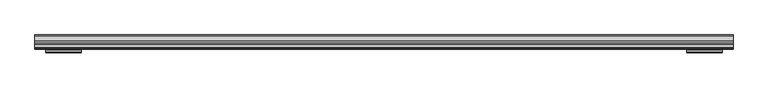
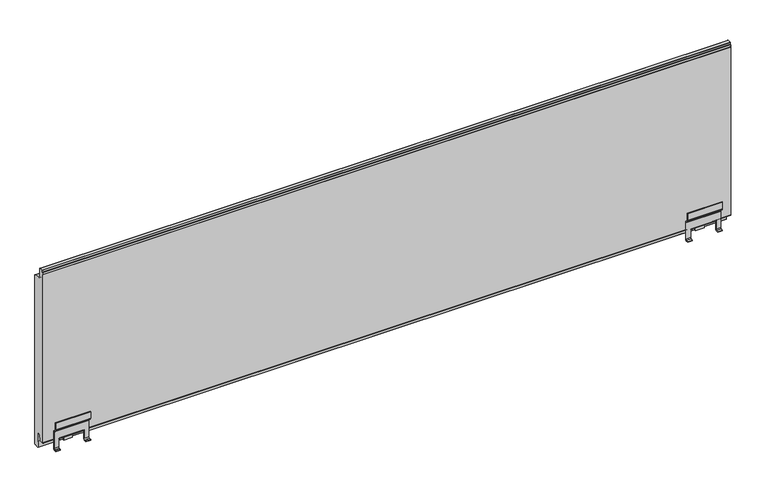
"""IFC4 building model written with IfcOpenShell, lengths in millimetres: plate geometry."""

from ifc_helpers import new_model, si_unit, point, frame, frame_2d, origin, place, context, project, spatial, polyline, circle_curve, trimmed, segment, composite_curve, outline, extrude, source, transform, mapped, element, save
from ifc_brep_helpers import plane_surface, cylinder_surface, revolved_surface, advanced_brep


def plate_f8bea97b(model_context):
    return source(origin(), model_context, "Body", "SolidModel", [
        advanced_brep(
        [(719.0, 133.5, 63.0766942), (719.0, 132.0, 63.0766942), (719.0, 132.0, 48.0751213), (719.0, 133.0251263, 45.6002476), (719.0, 137.9142136, 40.7111603), (719.0, 138.5, 39.2969467), (719.0, 138.5, 1.7954343), (719.0, 136.5, -0.2045657), (719.0, 132.0000052, -0.2045657), (719.0, 132.0000052, -1.7045657), (719.0, 136.5, -1.7045657), (719.0, 140.0, 1.7954343), (719.0, 140.0, 39.2969467), (719.0, 138.9748737, 41.7718205), (719.0, 134.0857864, 46.6609078), (719.0, 133.5, 48.0751213), (643.9999948, 133.5, 63.0766942), (643.9999948, 133.5, 48.0751213), (643.9999948, 134.0857864, 46.6609078), (643.9999948, 138.9748737, 41.7718205), (643.9999948, 140.0, 39.2969467), (643.9999948, 140.0, 1.7954343), (643.9999948, 136.5, -1.7045657), (643.9999948, 132.0000052, -1.7045657), (643.9999948, 132.0000052, -0.2045657), (643.9999948, 136.5, -0.2045657), (643.9999948, 138.5, 1.7954343), (643.9999948, 138.5, 39.2969467), (643.9999948, 137.9142136, 40.7111603), (643.9999948, 133.0251263, 45.6002476), (643.9999948, 132.0, 48.0751213), (643.9999948, 132.0, 63.0766942), (653.9999948, 138.5, 1.7954343), (653.9999948, 138.5, 21.4949549), (655.4999948, 138.5, 21.4949549), (707.4999948, 138.5, 21.5), (708.9999948, 138.5, 21.4949549), (708.9999948, 138.5, 1.7954343), (708.9999948, 136.5, -0.2045657), (653.9999948, 136.5, -0.2045657), (708.9999948, 132.0000052, -0.2045657), (653.9999948, 132.0000052, -0.2045657), (708.9999948, 132.0000052, -1.7045657), (653.9999948, 132.0000052, -1.7045657), (708.9999948, 136.5, -1.7045657), (653.9999948, 136.5, -1.7045657), (708.9999948, 140.0, 1.7954343), (653.9999948, 140.0, 1.7954343), (708.9999948, 140.0, 21.4949549), (707.4999948, 140.0, 21.4949549), (655.4999948, 140.0, 21.5), (653.9999948, 140.0, 21.4949549), (707.4999948, 142.0, 19.5), (707.4999948, 139.9736841, 18.6462229), (707.4999948, 141.9999999, 18.0), (707.4999948, 150.5069508, 18.0), (707.4999948, 152.2536916, 18.4670317), (707.4999948, 153.9952504, 21.1949549), (707.4999948, 155.2506896, 31.8238549), (707.4999948, 153.7617614, 32.0), (707.4999948, 152.4938373, 21.2653996), (707.4999948, 150.5076443, 19.5), (655.4999948, 142.0, 19.5), (655.4999948, 150.5076443, 19.5), (655.4999948, 152.4938373, 21.2653996), (655.4999948, 153.7617614, 32.0), (655.4999948, 155.2506896, 31.8238549), (655.4999948, 153.9952504, 21.1949549), (655.4999948, 152.2536916, 18.4670317), (655.4999948, 150.5069508, 18.0), (655.4999948, 147.9501547, 18.0), (655.4999948, 141.9999999, 18.0), (655.4999948, 140.0, 18.6277187), (671.9999948, 150.5069508, 18.0), (690.9999948, 150.5069508, 18.0), (671.9999948, 152.2536916, 18.4670317), (690.9999948, 152.2536916, 18.4670317), (690.9999948, 151.2000052, 3.0), (671.9999948, 151.2000052, 3.0), (690.9999948, 152.6965553, 2.8983251), (671.9999948, 152.6965553, 2.8983251), (690.9999948, 153.9952504, 21.1949549), (671.9999948, 153.9952504, 21.1949549), (671.9999948, 155.2506896, 31.8238549), (690.9999948, 155.2506896, 31.8238549)],
        [
            (0, 1),
            (1, 2),
            (2, 3, circle_curve(frame((719.0, 135.5, 48.0751213), z_axis=(1.0, 0.0, 0.0), x_axis=(0.0, 1.0, 0.0)), 3.5)),
            (3, 4),
            (4, 5, circle_curve(frame((719.0, 136.5, 39.2969467), z_axis=(-1.0, 0.0, 0.0), x_axis=(0.0, 1.0, 0.0)), 2.0)),
            (5, 6),
            (6, 7, circle_curve(frame((719.0, 136.5, 1.7954343), z_axis=(-1.0, 0.0, 0.0), x_axis=(0.0, 1.0, 0.0)), 2.0)),
            (7, 8),
            (8, 9),
            (9, 10),
            (10, 11, circle_curve(frame((719.0, 136.5, 1.7954343), z_axis=(1.0, 0.0, 0.0), x_axis=(0.0, 1.0, 0.0)), 3.5)),
            (11, 12),
            (12, 13, circle_curve(frame((719.0, 136.5, 39.2969467), z_axis=(1.0, 0.0, 0.0), x_axis=(0.0, 1.0, 0.0)), 3.5)),
            (13, 14),
            (14, 15, circle_curve(frame((719.0, 135.5, 48.0751213), z_axis=(-1.0, 0.0, 0.0), x_axis=(0.0, 1.0, 0.0)), 2.0)),
            (15, 0),
            (16, 17),
            (17, 18, circle_curve(frame((643.9999948, 135.5, 48.0751213), z_axis=(1.0, 0.0, 0.0), x_axis=(0.0, 1.0, 0.0)), 2.0)),
            (18, 19),
            (19, 20, circle_curve(frame((643.9999948, 136.5, 39.2969467), z_axis=(-1.0, 0.0, 0.0), x_axis=(0.0, 1.0, 0.0)), 3.5)),
            (20, 21),
            (21, 22, circle_curve(frame((643.9999948, 136.5, 1.7954343), z_axis=(-1.0, 0.0, 0.0), x_axis=(0.0, 1.0, 0.0)), 3.5)),
            (22, 23),
            (23, 24),
            (24, 25),
            (25, 26, circle_curve(frame((643.9999948, 136.5, 1.7954343), z_axis=(1.0, 0.0, 0.0), x_axis=(0.0, 1.0, 0.0)), 2.0)),
            (26, 27),
            (27, 28, circle_curve(frame((643.9999948, 136.5, 39.2969467), z_axis=(1.0, 0.0, 0.0), x_axis=(0.0, 1.0, 0.0)), 2.0)),
            (28, 29),
            (29, 30, circle_curve(frame((643.9999948, 135.5, 48.0751213), z_axis=(-1.0, 0.0, 0.0), x_axis=(0.0, 1.0, 0.0)), 3.5)),
            (30, 31),
            (31, 16),
            (0, 16),
            (31, 1),
            (30, 2),
            (29, 3),
            (28, 4),
            (27, 5),
            (26, 32),
            (32, 33),
            (33, 34),
            (34, 35),
            (35, 36),
            (36, 37),
            (37, 6),
            (37, 38, circle_curve(frame((708.9999948, 136.5, 1.7954343), z_axis=(-1.0, 0.0, 0.0), x_axis=(0.0, 1.0, 0.0)), 2.0)),
            (38, 7),
            (25, 39),
            (39, 32, circle_curve(frame((653.9999948, 136.5, 1.7954343), z_axis=(1.0, 0.0, 0.0), x_axis=(0.0, 1.0, 0.0)), 2.0)),
            (38, 40),
            (40, 8),
            (24, 41),
            (41, 39),
            (40, 42),
            (42, 9),
            (23, 43),
            (43, 41),
            (42, 44),
            (44, 10),
            (22, 45),
            (45, 43),
            (44, 46, circle_curve(frame((708.9999948, 136.5, 1.7954343), z_axis=(1.0, 0.0, 0.0), x_axis=(0.0, 1.0, 0.0)), 3.5)),
            (46, 11),
            (21, 47),
            (47, 45, circle_curve(frame((653.9999948, 136.5, 1.7954343), z_axis=(-1.0, 0.0, 0.0), x_axis=(0.0, 1.0, 0.0)), 3.5)),
            (46, 48),
            (48, 49),
            (49, 50),
            (50, 51),
            (51, 47),
            (20, 12),
            (19, 13),
            (18, 14),
            (17, 15),
            (36, 48),
            (51, 33),
            (35, 49),
            (50, 34),
            (52, 49, circle_curve(frame((707.4999948, 142.0, 21.5), z_axis=(-1.0, 0.0, 0.0), x_axis=(0.0, 1.0, 0.0)), 2.0)),
            (35, 53, circle_curve(frame((707.4999948, 142.0, 21.5), z_axis=(1.0, 0.0, 0.0), x_axis=(0.0, 1.0, 0.0)), 3.5)),
            (53, 54, circle_curve(frame((707.4999948, 141.9999999, 21.5), z_axis=(1.0, 0.0, 0.0), x_axis=(0.0, 1.0, 0.0)), 3.5)),
            (54, 55),
            (55, 56, circle_curve(frame((707.4999948, 150.5069508, 21.5), z_axis=(1.0, 0.0, 0.0), x_axis=(0.0, 1.0, 0.0)), 3.5)),
            (56, 57, circle_curve(frame((707.4999948, 150.502195, 21.5051049), z_axis=(1.0, 0.0, 0.0), x_axis=(0.0, 1.0, 0.0)), 3.5067975)),
            (57, 58),
            (58, 59),
            (59, 60),
            (60, 61, circle_curve(frame((707.4999948, 150.5076443, 21.5), z_axis=(-1.0, 0.0, 0.0), x_axis=(0.0, 1.0, 0.0)), 2.0)),
            (61, 52),
            (62, 63),
            (63, 64, circle_curve(frame((655.4999948, 150.5076443, 21.5), z_axis=(1.0, 0.0, 0.0), x_axis=(0.0, 1.0, 0.0)), 2.0)),
            (64, 65),
            (65, 66),
            (66, 67),
            (67, 68, circle_curve(frame((655.4999948, 150.502195, 21.5051049), z_axis=(-1.0, 0.0, 0.0), x_axis=(0.0, 1.0, 0.0)), 3.5067975)),
            (68, 69, circle_curve(frame((655.4999948, 150.5069508, 21.5), z_axis=(-1.0, 0.0, 0.0), x_axis=(0.0, 1.0, 0.0)), 3.5)),
            (69, 70),
            (70, 71),
            (71, 72, circle_curve(frame((655.4999948, 141.9999999, 21.5), z_axis=(-1.0, 0.0, 0.0), x_axis=(0.0, 1.0, 0.0)), 3.5)),
            (72, 34, circle_curve(frame((655.4999948, 142.0, 21.5), z_axis=(-1.0, 0.0, 0.0), x_axis=(0.0, 1.0, 0.0)), 3.5)),
            (50, 62, circle_curve(frame((655.4999948, 142.0, 21.5), z_axis=(1.0, 0.0, 0.0), x_axis=(0.0, 1.0, 0.0)), 2.0)),
            (52, 62),
            (72, 53),
            (71, 54),
            (69, 73),
            (73, 74),
            (74, 55),
            (68, 75),
            (75, 76),
            (76, 56),
            (77, 76),
            (75, 78),
            (78, 77),
            (79, 77),
            (78, 80),
            (80, 79),
            (81, 79),
            (80, 82),
            (82, 81),
            (57, 81),
            (82, 67),
            (66, 83),
            (83, 84),
            (84, 58),
            (65, 59),
            (64, 60),
            (63, 61),
            (81, 76, circle_curve(frame((690.9999948, 150.502195, 21.5051049), z_axis=(-1.0, 0.0, 0.0), x_axis=(0.0, 1.0, 0.0)), 3.5067975)),
            (75, 82, circle_curve(frame((671.9999948, 150.502195, 21.5051049), z_axis=(1.0, 0.0, 0.0), x_axis=(0.0, 1.0, 0.0)), 3.5067975)),
        ],
        [
            plane_surface(frame((719.0, 132.0, 63.7908685), z_axis=(1.0, 0.0, 0.0), x_axis=(0.0, 1.0, 0.0))),
            plane_surface(frame((643.9999948, 132.0, 63.7908685), z_axis=(-1.0, 0.0, 0.0), x_axis=(0.0, 1.0, 0.0))),
            plane_surface(frame((719.0, 133.5, 63.0766942), z_axis=(0.0, 0.0, 1.0), x_axis=(-1.0, 0.0, 0.0))),
            plane_surface(frame((719.0, 132.0, 63.0766942), z_axis=(0.0, -1.0, 0.0), x_axis=(-1.0, 0.0, 0.0))),
            cylinder_surface(frame((719.0, 135.5, 48.0751213), z_axis=(1.0, 0.0, 0.0), x_axis=(0.0, 1.0, 0.0)), 3.5),
            plane_surface(frame((719.0, 133.0251263, 45.6002476), z_axis=(0.0, -0.7071067811823375, -0.7071067811907575), x_axis=(-1.0, 0.0, 0.0))),
            revolved_surface(polyline([(643.9999948, 138.5, 39.2969467), (719.0, 138.5, 39.2969467)]), (719.0, 136.5, 39.2969467), (-1.0, 0.0, 0.0)),
            plane_surface(frame((719.0, 138.5, 39.2969467), z_axis=(0.0, -1.0, 0.0), x_axis=(-1.0, 0.0, 0.0))),
            revolved_surface(polyline([(708.9999948, 138.5, 1.7954343), (719.0, 138.5, 1.7954343)]), (719.0, 136.5, 1.7954343), (-1.0, 0.0, 0.0)),
            revolved_surface(polyline([(643.9999948, 138.5, 1.7954343), (653.9999948, 138.5, 1.7954343)]), (719.0, 136.5, 1.7954343), (-1.0, 0.0, 0.0)),
            plane_surface(frame((719.0, 136.5, -0.2045657), z_axis=(0.0, 0.0, 1.0), x_axis=(-1.0, 0.0, 0.0))),
            plane_surface(frame((719.0, 132.0000052, -0.2045657), z_axis=(0.0, -1.0, 0.0), x_axis=(-1.0, 0.0, 0.0))),
            plane_surface(frame((719.0, 132.0000052, -1.7045657), z_axis=(0.0, 0.0, -1.0), x_axis=(-1.0, 0.0, 0.0))),
            cylinder_surface(frame((719.0, 136.5, 1.7954343), z_axis=(1.0, 0.0, 0.0), x_axis=(0.0, 1.0, 0.0)), 3.5),
            plane_surface(frame((719.0, 140.0, 1.7954343), z_axis=(0.0, 1.0, 0.0), x_axis=(-1.0, 0.0, 0.0))),
            cylinder_surface(frame((719.0, 136.5, 39.2969467), z_axis=(1.0, 0.0, 0.0), x_axis=(0.0, 1.0, 0.0)), 3.5),
            plane_surface(frame((719.0, 138.9748737, 41.7718205), z_axis=(0.0, 0.707106781190757, 0.707106781182338), x_axis=(-1.0, 0.0, 0.0))),
            revolved_surface(polyline([(643.9999948, 137.5, 48.0751213), (719.0, 137.5, 48.0751213)]), (719.0, 135.5, 48.0751213), (-1.0, 0.0, 0.0)),
            plane_surface(frame((719.0, 133.5, 48.0751213), z_axis=(0.0, 1.0, 0.0), x_axis=(-1.0, 0.0, 0.0))),
            plane_surface(frame((708.9999948, 140.0, 21.4949549), z_axis=(-1.0, 0.0, 0.0), x_axis=(0.0, -1.0, 0.0))),
            plane_surface(frame((653.9999948, 140.0, -2.7091315), z_axis=(1.0, 0.0, 0.0), x_axis=(0.0, -1.0, 0.0))),
            plane_surface(frame((653.9999948, 140.0, 21.4949549), z_axis=(0.0, 0.0, -1.0), x_axis=(0.0, -1.0, 0.0))),
            plane_surface(frame((707.4999948, 132.0, 32.4954343), z_axis=(1.0, 0.0, 0.0), x_axis=(0.0, 1.0, 0.0))),
            plane_surface(frame((655.4999948, 132.0, 32.4954343), z_axis=(-1.0, 0.0, 0.0), x_axis=(0.0, 1.0, 0.0))),
            revolved_surface(polyline([(655.4999948, 144.0, 21.5), (707.4999948, 144.0, 21.5)]), (707.4999948, 142.0, 21.5), (-1.0, 0.0, 0.0)),
            cylinder_surface(frame((707.4999948, 142.0, 21.5), z_axis=(1.0, 0.0, 0.0), x_axis=(0.0, 1.0, 0.0)), 3.5),
            cylinder_surface(frame((707.4999948, 141.9999999, 21.5), z_axis=(1.0, 0.0, 0.0), x_axis=(0.0, 1.0, 0.0)), 3.5),
            plane_surface(frame((707.4999948, 141.9999999, 18.0), z_axis=(0.0, 0.0, -1.0), x_axis=(-1.0, 0.0, 0.0))),
            cylinder_surface(frame((707.4999948, 150.5069508, 21.5), z_axis=(1.0, 0.0, 0.0), x_axis=(0.0, 1.0, 0.0)), 3.5),
            plane_surface(frame((707.4999948, 152.2536916, 18.4670317), z_axis=(0.0, -0.9976875606869263, 0.06796713360566971), x_axis=(-1.0, 0.0, 0.0))),
            plane_surface(frame((707.4999948, 151.2000052, 3.0), z_axis=(0.0, -0.06778329456574599, -0.9977000676444867), x_axis=(-1.0, 0.0, 0.0))),
            plane_surface(frame((707.4999948, 152.6965553, 2.8983251), z_axis=(0.0, 0.9974903975436773, -0.07080188421332127), x_axis=(-1.0, 0.0, 0.0))),
            plane_surface(frame((707.4999948, 154.500471, 25.4722938), z_axis=(0.0, 0.9930964999268389, -0.11730022094208546), x_axis=(-1.0, 0.0, 0.0))),
            plane_surface(frame((707.4999948, 155.2506896, 31.8238549), z_axis=(0.0, 0.11748400802588121, 0.9930747745553579), x_axis=(-1.0, 0.0, 0.0))),
            plane_surface(frame((707.4999948, 153.7617614, 32.0), z_axis=(0.0, -0.9930964999255651, 0.1173002209528698), x_axis=(-1.0, 0.0, 0.0))),
            revolved_surface(polyline([(655.4999948, 152.5076443, 21.5), (707.4999948, 152.5076443, 21.5)]), (707.4999948, 150.5076443, 21.5), (-1.0, 0.0, 0.0)),
            plane_surface(frame((707.4999948, 150.5076443, 19.5), z_axis=(0.0, 0.0, 1.0), x_axis=(-1.0, 0.0, 0.0))),
            plane_surface(frame((690.9999948, 154.0089925, 21.5051049), z_axis=(1.0, 0.0, 0.0), x_axis=(0.0, 0.0, 1.0))),
            cylinder_surface(frame((707.4999948, 150.502195, 21.5051049), z_axis=(1.0, 0.0, 0.0), x_axis=(0.0, 1.0, 0.0)), 3.5067975),
            plane_surface(frame((671.9999948, 154.0089925, 21.5051049), z_axis=(-1.0, 0.0, 0.0), x_axis=(0.0, 0.0, -1.0))),
            cylinder_surface(frame((671.9999948, 150.502195, 21.5051049), z_axis=(1.0, 0.0, 0.0), x_axis=(0.0, 1.0, 0.0)), 3.5067975),
        ],
        [
            (0, [[1, 2, 3, 4, 5, 6, 7, 8, 9, 10, 11, 12, 13, 14, 15, 16]]),
            (1, [[17, 18, 19, 20, 21, 22, 23, 24, 25, 26, 27, 28, 29, 30, 31, 32]]),
            (2, [[-1, 33, -32, 34]]),
            (3, [[-2, -34, -31, 35]]),
            (4, [[-3, -35, -30, 36]]),
            (5, [[-4, -36, -29, 37]]),
            (6, [[-5, -37, -28, 38]]),
            (7, [[-6, -38, -27, 39, 40, 41, 42, 43, 44, 45]]),
            (8, [[-7, -45, 46, 47]]),
            (9, [[-26, 48, 49, -39]]),
            (10, [[-8, -47, 50, 51]]),
            (10, [[-25, 52, 53, -48]]),
            (11, [[-9, -51, 54, 55]]),
            (11, [[-24, 56, 57, -52]]),
            (12, [[-10, -55, 58, 59]]),
            (12, [[-23, 60, 61, -56]]),
            (13, [[-11, -59, 62, 63]]),
            (13, [[-22, 64, 65, -60]]),
            (14, [[-12, -63, 66, 67, 68, 69, 70, -64, -21, 71]]),
            (15, [[-13, -71, -20, 72]]),
            (16, [[-14, -72, -19, 73]]),
            (17, [[-15, -73, -18, 74]]),
            (18, [[-16, -74, -17, -33]]),
            (19, [[75, -66, -62, -58, -54, -50, -46, -44]]),
            (20, [[76, -40, -49, -53, -57, -61, -65, -70]]),
            (21, [[-75, -43, 77, -67]]),
            (21, [[-76, -69, 78, -41]]),
            (22, [[79, -77, 80, 81, 82, 83, 84, 85, 86, 87, 88, 89]]),
            (23, [[90, 91, 92, 93, 94, 95, 96, 97, 98, 99, 100, -78, 101]]),
            (24, [[-79, 102, -101, -68]]),
            (25, [[-80, -42, -100, 103]]),
            (26, [[-81, -103, -99, 104]]),
            (27, [[-82, -104, -98, -97, 105, 106, 107]]),
            (28, [[-83, -107, -106, -105, -96, 108, 109, 110]]),
            (29, [[111, -109, 112, 113]]),
            (30, [[114, -113, 115, 116]]),
            (31, [[117, -116, 118, 119]]),
            (32, [[-85, 120, -119, 121, -94, 122, 123, 124]]),
            (33, [[-86, -124, -123, -122, -93, 125]]),
            (34, [[-87, -125, -92, 126]]),
            (35, [[-88, -126, -91, 127]]),
            (36, [[-89, -127, -90, -102]]),
            (37, [[128, -111, -114, -117]]),
            (38, [[-128, -120, -84, -110]]),
            (39, [[129, -118, -115, -112]]),
            (40, [[-129, -108, -95, -121]]),
        ],
    ),
        advanced_brep(
        [(-719.0, 133.5, 63.0766942), (-719.0, 133.5, 48.0751213), (-719.0, 134.0857864, 46.6609078), (-719.0, 138.9748737, 41.7718205), (-719.0, 140.0, 39.2969467), (-719.0, 140.0, 1.7954343), (-719.0, 136.5, -1.7045657), (-719.0, 132.0000052, -1.7045657), (-719.0, 132.0000052, -0.2045657), (-719.0, 136.5, -0.2045657), (-719.0, 138.5, 1.7954343), (-719.0, 138.5, 39.2969467), (-719.0, 137.9142136, 40.7111603), (-719.0, 133.0251263, 45.6002476), (-719.0, 132.0, 48.0751213), (-719.0, 132.0, 63.0766942), (-643.9999948, 133.5, 63.0766942), (-643.9999948, 132.0, 63.0766942), (-643.9999948, 132.0, 48.0751213), (-643.9999948, 133.0251263, 45.6002476), (-643.9999948, 137.9142136, 40.7111603), (-643.9999948, 138.5, 39.2969467), (-643.9999948, 138.5, 1.7954343), (-643.9999948, 136.5, -0.2045657), (-643.9999948, 132.0000052, -0.2045657), (-643.9999948, 132.0000052, -1.7045657), (-643.9999948, 136.5, -1.7045657), (-643.9999948, 140.0, 1.7954343), (-643.9999948, 140.0, 39.2969467), (-643.9999948, 138.9748737, 41.7718205), (-643.9999948, 134.0857864, 46.6609078), (-643.9999948, 133.5, 48.0751213), (-708.9999948, 138.5, 1.7954343), (-708.9999948, 138.5, 21.4949549), (-707.4999948, 138.5, 21.4949549), (-655.4999948, 138.5, 21.5), (-653.9999948, 138.5, 21.4949549), (-653.9999948, 138.5, 1.7954343), (-653.9999948, 136.5, -0.2045657), (-708.9999948, 136.5, -0.2045657), (-653.9999948, 132.0000052, -0.2045657), (-708.9999948, 132.0000052, -0.2045657), (-653.9999948, 132.0000052, -1.7045657), (-708.9999948, 132.0000052, -1.7045657), (-653.9999948, 136.5, -1.7045657), (-708.9999948, 136.5, -1.7045657), (-653.9999948, 140.0, 1.7954343), (-708.9999948, 140.0, 1.7954343), (-653.9999948, 140.0, 21.4949549), (-655.4999948, 140.0, 21.4949549), (-707.4999948, 140.0, 21.5), (-708.9999948, 140.0, 21.4949549), (-707.4999948, 142.0, 19.5), (-707.4999948, 150.5076443, 19.5), (-707.4999948, 152.4938373, 21.2653996), (-707.4999948, 153.7617614, 32.0), (-707.4999948, 155.2506896, 31.8238549), (-707.4999948, 153.9952504, 21.1949549), (-707.4999948, 152.2536916, 18.4670317), (-707.4999948, 150.5069508, 18.0), (-707.4999948, 141.9999999, 18.0), (-707.4999948, 140.0, 18.6277187), (-655.4999948, 142.0, 19.5), (-655.4999948, 139.9736841, 18.6462229), (-655.4999948, 141.9999999, 18.0), (-655.4999948, 147.9501547, 18.0), (-655.4999948, 150.5069508, 18.0), (-655.4999948, 152.2536916, 18.4670317), (-655.4999948, 153.9952504, 21.1949549), (-655.4999948, 155.2506896, 31.8238549), (-655.4999948, 153.7617614, 32.0), (-655.4999948, 152.4938373, 21.2653996), (-655.4999948, 150.5076443, 19.5), (-690.9999948, 150.5069508, 18.0), (-671.9999948, 150.5069508, 18.0), (-690.9999948, 152.2536916, 18.4670317), (-671.9999948, 152.2536916, 18.4670317), (-690.9999948, 151.2000052, 3.0), (-671.9999948, 151.2000052, 3.0), (-690.9999948, 152.6965553, 2.8983251), (-671.9999948, 152.6965553, 2.8983251), (-690.9999948, 153.9952504, 21.1949549), (-671.9999948, 153.9952504, 21.1949549), (-690.9999948, 155.2506896, 31.8238549), (-671.9999948, 155.2506896, 31.8238549)],
        [
            (0, 1),
            (1, 2, circle_curve(frame((-719.0, 135.5, 48.0751213), z_axis=(1.0, 0.0, 0.0), x_axis=(0.0, 1.0, 0.0)), 2.0)),
            (2, 3),
            (3, 4, circle_curve(frame((-719.0, 136.5, 39.2969467), z_axis=(-1.0, 0.0, 0.0), x_axis=(0.0, 1.0, 0.0)), 3.5)),
            (4, 5),
            (5, 6, circle_curve(frame((-719.0, 136.5, 1.7954343), z_axis=(-1.0, 0.0, 0.0), x_axis=(0.0, 1.0, 0.0)), 3.5)),
            (6, 7),
            (7, 8),
            (8, 9),
            (9, 10, circle_curve(frame((-719.0, 136.5, 1.7954343), z_axis=(1.0, 0.0, 0.0), x_axis=(0.0, 1.0, 0.0)), 2.0)),
            (10, 11),
            (11, 12, circle_curve(frame((-719.0, 136.5, 39.2969467), z_axis=(1.0, 0.0, 0.0), x_axis=(0.0, 1.0, 0.0)), 2.0)),
            (12, 13),
            (13, 14, circle_curve(frame((-719.0, 135.5, 48.0751213), z_axis=(-1.0, 0.0, 0.0), x_axis=(0.0, 1.0, 0.0)), 3.5)),
            (14, 15),
            (15, 0),
            (16, 17),
            (17, 18),
            (18, 19, circle_curve(frame((-643.9999948, 135.5, 48.0751213), z_axis=(1.0, 0.0, 0.0), x_axis=(0.0, 1.0, 0.0)), 3.5)),
            (19, 20),
            (20, 21, circle_curve(frame((-643.9999948, 136.5, 39.2969467), z_axis=(-1.0, 0.0, 0.0), x_axis=(0.0, 1.0, 0.0)), 2.0)),
            (21, 22),
            (22, 23, circle_curve(frame((-643.9999948, 136.5, 1.7954343), z_axis=(-1.0, 0.0, 0.0), x_axis=(0.0, 1.0, 0.0)), 2.0)),
            (23, 24),
            (24, 25),
            (25, 26),
            (26, 27, circle_curve(frame((-643.9999948, 136.5, 1.7954343), z_axis=(1.0, 0.0, 0.0), x_axis=(0.0, 1.0, 0.0)), 3.5)),
            (27, 28),
            (28, 29, circle_curve(frame((-643.9999948, 136.5, 39.2969467), z_axis=(1.0, 0.0, 0.0), x_axis=(0.0, 1.0, 0.0)), 3.5)),
            (29, 30),
            (30, 31, circle_curve(frame((-643.9999948, 135.5, 48.0751213), z_axis=(-1.0, 0.0, 0.0), x_axis=(0.0, 1.0, 0.0)), 2.0)),
            (31, 16),
            (15, 17),
            (16, 0),
            (14, 18),
            (13, 19),
            (12, 20),
            (11, 21),
            (10, 32),
            (32, 33),
            (33, 34),
            (34, 35),
            (35, 36),
            (36, 37),
            (37, 22),
            (37, 38, circle_curve(frame((-653.9999948, 136.5, 1.7954343), z_axis=(-1.0, 0.0, 0.0), x_axis=(0.0, 1.0, 0.0)), 2.0)),
            (38, 23),
            (9, 39),
            (39, 32, circle_curve(frame((-708.9999948, 136.5, 1.7954343), z_axis=(1.0, 0.0, 0.0), x_axis=(0.0, 1.0, 0.0)), 2.0)),
            (38, 40),
            (40, 24),
            (8, 41),
            (41, 39),
            (40, 42),
            (42, 25),
            (7, 43),
            (43, 41),
            (42, 44),
            (44, 26),
            (6, 45),
            (45, 43),
            (44, 46, circle_curve(frame((-653.9999948, 136.5, 1.7954343), z_axis=(1.0, 0.0, 0.0), x_axis=(0.0, 1.0, 0.0)), 3.5)),
            (46, 27),
            (5, 47),
            (47, 45, circle_curve(frame((-708.9999948, 136.5, 1.7954343), z_axis=(-1.0, 0.0, 0.0), x_axis=(0.0, 1.0, 0.0)), 3.5)),
            (4, 28),
            (46, 48),
            (48, 49),
            (49, 50),
            (50, 51),
            (51, 47),
            (3, 29),
            (2, 30),
            (1, 31),
            (51, 33),
            (36, 48),
            (35, 49),
            (50, 34),
            (52, 53),
            (53, 54, circle_curve(frame((-707.4999948, 150.5076443, 21.5), z_axis=(1.0, 0.0, 0.0), x_axis=(0.0, 1.0, 0.0)), 2.0)),
            (54, 55),
            (55, 56),
            (56, 57),
            (57, 58, circle_curve(frame((-707.4999948, 150.502195, 21.5051049), z_axis=(-1.0, 0.0, 0.0), x_axis=(0.0, 1.0, 0.0)), 3.5067975)),
            (58, 59, circle_curve(frame((-707.4999948, 150.5069508, 21.5), z_axis=(-1.0, 0.0, 0.0), x_axis=(0.0, 1.0, 0.0)), 3.5)),
            (59, 60),
            (60, 61, circle_curve(frame((-707.4999948, 141.9999999, 21.5), z_axis=(-1.0, 0.0, 0.0), x_axis=(0.0, 1.0, 0.0)), 3.5)),
            (61, 34, circle_curve(frame((-707.4999948, 142.0, 21.5), z_axis=(-1.0, 0.0, 0.0), x_axis=(0.0, 1.0, 0.0)), 3.5)),
            (50, 52, circle_curve(frame((-707.4999948, 142.0, 21.5), z_axis=(1.0, 0.0, 0.0), x_axis=(0.0, 1.0, 0.0)), 2.0)),
            (62, 49, circle_curve(frame((-655.4999948, 142.0, 21.5), z_axis=(-1.0, 0.0, 0.0), x_axis=(0.0, 1.0, 0.0)), 2.0)),
            (35, 63, circle_curve(frame((-655.4999948, 142.0, 21.5), z_axis=(1.0, 0.0, 0.0), x_axis=(0.0, 1.0, 0.0)), 3.5)),
            (63, 64, circle_curve(frame((-655.4999948, 141.9999999, 21.5), z_axis=(1.0, 0.0, 0.0), x_axis=(0.0, 1.0, 0.0)), 3.5)),
            (64, 65),
            (65, 66),
            (66, 67, circle_curve(frame((-655.4999948, 150.5069508, 21.5), z_axis=(1.0, 0.0, 0.0), x_axis=(0.0, 1.0, 0.0)), 3.5)),
            (67, 68, circle_curve(frame((-655.4999948, 150.502195, 21.5051049), z_axis=(1.0, 0.0, 0.0), x_axis=(0.0, 1.0, 0.0)), 3.5067975)),
            (68, 69),
            (69, 70),
            (70, 71),
            (71, 72, circle_curve(frame((-655.4999948, 150.5076443, 21.5), z_axis=(-1.0, 0.0, 0.0), x_axis=(0.0, 1.0, 0.0)), 2.0)),
            (72, 62),
            (62, 52),
            (61, 63),
            (60, 64),
            (59, 73),
            (73, 74),
            (74, 66),
            (58, 75),
            (75, 76),
            (76, 67),
            (77, 78),
            (78, 76),
            (75, 77),
            (79, 80),
            (80, 78),
            (77, 79),
            (81, 82),
            (82, 80),
            (79, 81),
            (56, 83),
            (83, 84),
            (84, 69),
            (68, 82),
            (81, 57),
            (55, 70),
            (54, 71),
            (53, 72),
            (75, 81, circle_curve(frame((-690.9999948, 150.502195, 21.5051049), z_axis=(1.0, 0.0, 0.0), x_axis=(0.0, 1.0, 0.0)), 3.5067975)),
            (82, 76, circle_curve(frame((-671.9999948, 150.502195, 21.5051049), z_axis=(-1.0, 0.0, 0.0), x_axis=(0.0, 1.0, 0.0)), 3.5067975)),
        ],
        [
            plane_surface(frame((-719.0, 132.0, 63.7908685), z_axis=(-1.0, 0.0, 0.0), x_axis=(0.0, 1.0, 0.0))),
            plane_surface(frame((-643.9999948, 132.0, 63.7908685), z_axis=(1.0, 0.0, 0.0), x_axis=(0.0, 1.0, 0.0))),
            plane_surface(frame((-719.0, 133.5, 63.0766942), z_axis=(0.0, 0.0, 1.0), x_axis=(1.0, 0.0, 0.0))),
            plane_surface(frame((-719.0, 132.0, 63.0766942), z_axis=(0.0, -1.0, 0.0), x_axis=(1.0, 0.0, 0.0))),
            cylinder_surface(frame((-719.0, 135.5, 48.0751213), z_axis=(-1.0, 0.0, 0.0), x_axis=(0.0, 1.0, 0.0)), 3.5),
            plane_surface(frame((-719.0, 133.0251263, 45.6002476), z_axis=(0.0, -0.7071067811823375, -0.7071067811907575), x_axis=(1.0, 0.0, 0.0))),
            revolved_surface(polyline([(-643.9999948, 138.5, 39.2969467), (-719.0, 138.5, 39.2969467)]), (-719.0, 136.5, 39.2969467), (1.0, 0.0, 0.0)),
            plane_surface(frame((-719.0, 138.5, 39.2969467), z_axis=(0.0, -1.0, 0.0), x_axis=(1.0, 0.0, 0.0))),
            revolved_surface(polyline([(-643.9999948, 138.5, 1.7954343), (-653.9999948, 138.5, 1.7954343)]), (-719.0, 136.5, 1.7954343), (1.0, 0.0, 0.0)),
            revolved_surface(polyline([(-708.9999948, 138.5, 1.7954343), (-719.0, 138.5, 1.7954343)]), (-719.0, 136.5, 1.7954343), (1.0, 0.0, 0.0)),
            plane_surface(frame((-719.0, 136.5, -0.2045657), z_axis=(0.0, 0.0, 1.0), x_axis=(1.0, 0.0, 0.0))),
            plane_surface(frame((-719.0, 132.0000052, -0.2045657), z_axis=(0.0, -1.0, 0.0), x_axis=(1.0, 0.0, 0.0))),
            plane_surface(frame((-719.0, 132.0000052, -1.7045657), z_axis=(0.0, 0.0, -1.0), x_axis=(1.0, 0.0, 0.0))),
            cylinder_surface(frame((-719.0, 136.5, 1.7954343), z_axis=(-1.0, 0.0, 0.0), x_axis=(0.0, 1.0, 0.0)), 3.5),
            plane_surface(frame((-719.0, 140.0, 1.7954343), z_axis=(0.0, 1.0, 0.0), x_axis=(1.0, 0.0, 0.0))),
            cylinder_surface(frame((-719.0, 136.5, 39.2969467), z_axis=(-1.0, 0.0, 0.0), x_axis=(0.0, 1.0, 0.0)), 3.5),
            plane_surface(frame((-719.0, 138.9748737, 41.7718205), z_axis=(0.0, 0.707106781190757, 0.707106781182338), x_axis=(1.0, 0.0, 0.0))),
            revolved_surface(polyline([(-643.9999948, 137.5, 48.0751213), (-719.0, 137.5, 48.0751213)]), (-719.0, 135.5, 48.0751213), (1.0, 0.0, 0.0)),
            plane_surface(frame((-719.0, 133.5, 48.0751213), z_axis=(0.0, 1.0, 0.0), x_axis=(1.0, 0.0, 0.0))),
            plane_surface(frame((-708.9999948, 140.0, 21.4949549), z_axis=(1.0, 0.0, 0.0), x_axis=(0.0, -1.0, 0.0))),
            plane_surface(frame((-653.9999948, 140.0, -2.7091315), z_axis=(-1.0, 0.0, 0.0), x_axis=(0.0, -1.0, 0.0))),
            plane_surface(frame((-653.9999948, 140.0, 21.4949549), z_axis=(0.0, 0.0, -1.0), x_axis=(0.0, -1.0, 0.0))),
            plane_surface(frame((-707.4999948, 132.0, 32.4954343), z_axis=(-1.0, 0.0, 0.0), x_axis=(0.0, 1.0, 0.0))),
            plane_surface(frame((-655.4999948, 132.0, 32.4954343), z_axis=(1.0, 0.0, 0.0), x_axis=(0.0, 1.0, 0.0))),
            revolved_surface(polyline([(-655.4999948, 144.0, 21.5), (-707.4999948, 144.0, 21.5)]), (-707.4999948, 142.0, 21.5), (1.0, 0.0, 0.0)),
            cylinder_surface(frame((-707.4999948, 142.0, 21.5), z_axis=(-1.0, 0.0, 0.0), x_axis=(0.0, 1.0, 0.0)), 3.5),
            cylinder_surface(frame((-707.4999948, 141.9999999, 21.5), z_axis=(-1.0, 0.0, 0.0), x_axis=(0.0, 1.0, 0.0)), 3.5),
            plane_surface(frame((-707.4999948, 141.9999999, 18.0), z_axis=(0.0, 0.0, -1.0), x_axis=(1.0, 0.0, 0.0))),
            cylinder_surface(frame((-707.4999948, 150.5069508, 21.5), z_axis=(-1.0, 0.0, 0.0), x_axis=(0.0, 1.0, 0.0)), 3.5),
            plane_surface(frame((-707.4999948, 152.2536916, 18.4670317), z_axis=(0.0, -0.9976875606869263, 0.06796713360566971), x_axis=(1.0, 0.0, 0.0))),
            plane_surface(frame((-707.4999948, 151.2000052, 3.0), z_axis=(0.0, -0.06778329456574599, -0.9977000676444867), x_axis=(1.0, 0.0, 0.0))),
            plane_surface(frame((-707.4999948, 152.6965553, 2.8983251), z_axis=(0.0, 0.9974903975436773, -0.07080188421332127), x_axis=(1.0, 0.0, 0.0))),
            plane_surface(frame((-707.4999948, 154.500471, 25.4722938), z_axis=(0.0, 0.9930964999268389, -0.11730022094208546), x_axis=(1.0, 0.0, 0.0))),
            plane_surface(frame((-707.4999948, 155.2506896, 31.8238549), z_axis=(0.0, 0.11748400802588121, 0.9930747745553579), x_axis=(1.0, 0.0, 0.0))),
            plane_surface(frame((-707.4999948, 153.7617614, 32.0), z_axis=(0.0, -0.9930964999255651, 0.1173002209528698), x_axis=(1.0, 0.0, 0.0))),
            revolved_surface(polyline([(-655.4999948, 152.5076443, 21.5), (-707.4999948, 152.5076443, 21.5)]), (-707.4999948, 150.5076443, 21.5), (1.0, 0.0, 0.0)),
            plane_surface(frame((-707.4999948, 150.5076443, 19.5), z_axis=(0.0, 0.0, 1.0), x_axis=(1.0, 0.0, 0.0))),
            plane_surface(frame((-690.9999948, 154.0089925, 21.5051049), z_axis=(-1.0, 0.0, 0.0), x_axis=(0.0, 0.0, 1.0))),
            cylinder_surface(frame((-707.4999948, 150.502195, 21.5051049), z_axis=(-1.0, 0.0, 0.0), x_axis=(0.0, 1.0, 0.0)), 3.5067975),
            plane_surface(frame((-671.9999948, 154.0089925, 21.5051049), z_axis=(1.0, 0.0, 0.0), x_axis=(0.0, 0.0, -1.0))),
            cylinder_surface(frame((-671.9999948, 150.502195, 21.5051049), z_axis=(-1.0, 0.0, 0.0), x_axis=(0.0, 1.0, 0.0)), 3.5067975),
        ],
        [
            (0, [[1, 2, 3, 4, 5, 6, 7, 8, 9, 10, 11, 12, 13, 14, 15, 16]]),
            (1, [[17, 18, 19, 20, 21, 22, 23, 24, 25, 26, 27, 28, 29, 30, 31, 32]]),
            (2, [[33, -17, 34, -16]]),
            (3, [[35, -18, -33, -15]]),
            (4, [[36, -19, -35, -14]]),
            (5, [[37, -20, -36, -13]]),
            (6, [[38, -21, -37, -12]]),
            (7, [[39, 40, 41, 42, 43, 44, 45, -22, -38, -11]]),
            (8, [[-45, 46, 47, -23]]),
            (9, [[48, 49, -39, -10]]),
            (10, [[-47, 50, 51, -24]]),
            (10, [[52, 53, -48, -9]]),
            (11, [[-51, 54, 55, -25]]),
            (11, [[56, 57, -52, -8]]),
            (12, [[-55, 58, 59, -26]]),
            (12, [[60, 61, -56, -7]]),
            (13, [[-59, 62, 63, -27]]),
            (13, [[64, 65, -60, -6]]),
            (14, [[66, -28, -63, 67, 68, 69, 70, 71, -64, -5]]),
            (15, [[72, -29, -66, -4]]),
            (16, [[73, -30, -72, -3]]),
            (17, [[74, -31, -73, -2]]),
            (18, [[-34, -32, -74, -1]]),
            (19, [[-40, -49, -53, -57, -61, -65, -71, 75]]),
            (20, [[-67, -62, -58, -54, -50, -46, -44, 76]]),
            (21, [[-43, 77, -68, -76]]),
            (21, [[-70, 78, -41, -75]]),
            (22, [[79, 80, 81, 82, 83, 84, 85, 86, 87, 88, -78, 89]]),
            (23, [[90, -77, 91, 92, 93, 94, 95, 96, 97, 98, 99, 100, 101]]),
            (24, [[-69, -90, 102, -89]]),
            (25, [[103, -91, -42, -88]]),
            (26, [[104, -92, -103, -87]]),
            (27, [[105, 106, 107, -94, -93, -104, -86]]),
            (28, [[108, 109, 110, -95, -107, -106, -105, -85]]),
            (29, [[111, 112, -109, 113]]),
            (30, [[114, 115, -111, 116]]),
            (31, [[117, 118, -114, 119]]),
            (32, [[120, 121, 122, -97, 123, -117, 124, -83]]),
            (33, [[125, -98, -122, -121, -120, -82]]),
            (34, [[126, -99, -125, -81]]),
            (35, [[127, -100, -126, -80]]),
            (36, [[-102, -101, -127, -79]]),
            (37, [[-119, -116, -113, 128]]),
            (38, [[-108, -84, -124, -128]]),
            (39, [[-112, -115, -118, 129]]),
            (40, [[-123, -96, -110, -129]]),
        ],
    ),
        extrude(outline(composite_curve([segment(polyline([(140.0, 21.5), (140.0, 404.0777409)]), True, "CONTINUOUS"), segment(trimmed(circle_curve(frame_2d((142.5000998, 404.0777409)), 2.5000998), [point((140.0, 404.0777409))], [point((140.1788154, 405.0062547))], False, "CARTESIAN"), True, "CONTINUOUS"), segment(polyline([(140.1788154, 405.0062547), (141.5240269, 408.3692833)]), True, "CONTINUOUS"), segment(trimmed(circle_curve(frame_2d((139.2027425, 409.2977971)), 2.5000998), [point((141.5240269, 408.3692833))], [point((141.7028423, 409.2977971))], True, "CARTESIAN"), True, "CONTINUOUS"), segment(polyline([(141.7028423, 409.2977971), (141.7028423, 413.3165214)]), True, "CONTINUOUS"), segment(trimmed(circle_curve(frame_2d((142.2028423, 413.3165214)), 0.5), [point((141.7028423, 413.3165214))], [point((142.2028423, 413.8165214))], False, "CARTESIAN"), True, "CONTINUOUS"), segment(polyline([(142.2028423, 413.8165214), (149.5003792, 413.8165214)]), True, "CONTINUOUS"), segment(trimmed(circle_curve(frame_2d((149.5003792, 411.3164216)), 2.5000998), [point((149.5003792, 413.8165214))], [point((152.000479, 411.3164216))], False, "CARTESIAN"), True, "CONTINUOUS"), segment(polyline([(152.000479, 411.3164216), (152.000479, 393.8859869)]), True, "CONTINUOUS"), segment(trimmed(circle_curve(frame_2d((157.0006786, 393.8859869)), 5.0001996), [point((152.000479, 393.8859869))], [point((156.4568352, 388.9154507))], True, "CARTESIAN"), True, "CONTINUOUS"), segment(polyline([(156.4568352, 388.9154507), (167.6297631, 388.0170804)]), True, "CONTINUOUS"), segment(trimmed(circle_curve(frame_2d((167.5010977, 385.5202936)), 2.5000998), [point((167.6297631, 388.0170804))], [point((170.0, 385.442923))], False, "CARTESIAN"), True, "CONTINUOUS"), segment(polyline([(170.0, 385.442923), (170.0, 2.5)]), True, "CONTINUOUS"), segment(trimmed(circle_curve(frame_2d((167.5, 2.5)), 2.5), [point((170.0, 2.5))], [point((167.5, 0.0))], False, "CARTESIAN"), True, "CONTINUOUS"), segment(polyline([(167.5, 0.0), (159.5000998, 0.0)]), True, "CONTINUOUS"), segment(trimmed(circle_curve(frame_2d((159.5000998, 1.3125167)), 1.3125167), [point((159.5000998, 0.0))], [point((158.4471688, 0.5289119))], False, "CARTESIAN"), True, "CONTINUOUS"), segment(polyline([(158.4471688, 0.5289119), (157.0, 15.0), (157.0, 31.5)]), True, "CONTINUOUS"), segment(trimmed(circle_curve(frame_2d((154.5, 31.5)), 2.5), [point((157.0, 31.5))], [point((152.0836431, 32.141264))], True, "CARTESIAN"), True, "CONTINUOUS"), segment(polyline([(152.0836431, 32.141264), (150.6703466, 21.3059912)]), True, "CONTINUOUS"), segment(trimmed(circle_curve(frame_2d((149.182946, 21.5)), 1.5), [point((150.6703466, 21.3059912))], [point((149.182946, 20.0))], False, "CARTESIAN"), True, "CONTINUOUS"), segment(polyline([(149.182946, 20.0), (141.5, 20.0)]), True, "CONTINUOUS"), segment(trimmed(circle_curve(frame_2d((141.5, 21.5)), 1.5), [point((141.5, 20.0))], [point((140.0, 21.5))], False, "CARTESIAN"), True, "CONTINUOUS")], self_intersect=False)), frame((-742.0, 0.0, 0.0), z_axis=(1.0, 0.0, 0.0), x_axis=(0.0, 1.0, 0.0)), (0.0, 0.0, 1.0), 1484.0),
    ])


if __name__ == "__main__":
    model = new_model("IFC4")
    model_context = context("Model", 3, world=origin())
    ifc_project = project(units=[si_unit("LENGTHUNIT", "METRE", prefix="MILLI")], contexts=[model_context])
    site = spatial("IfcSite", under=ifc_project)
    building = spatial("IfcBuilding", under=site)
    placement = place(None, origin())
    plate_shape = plate_f8bea97b(model_context)
    element("IfcPlate", 1, at=placement, inside=building, context=model_context, shape_type="MappedRepresentation", body=[
        mapped(plate_shape, transform((0.0, 0.0, 0.0), x_axis=(1.0, 0.0, 0.0), y_axis=(0.0, 1.0, 0.0), z_axis=(0.0, 0.0, 1.0))),
    ])
    save(model, "model.ifc")
